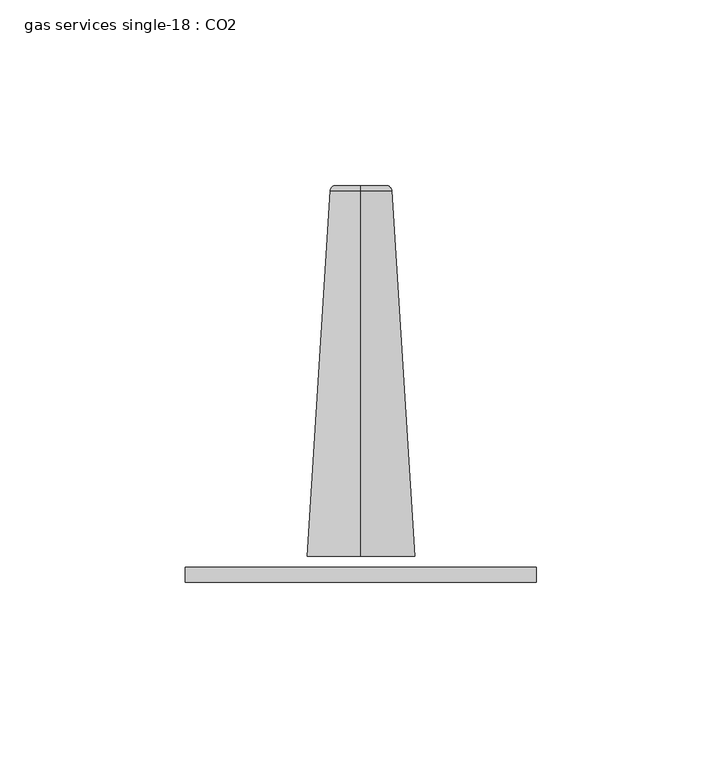
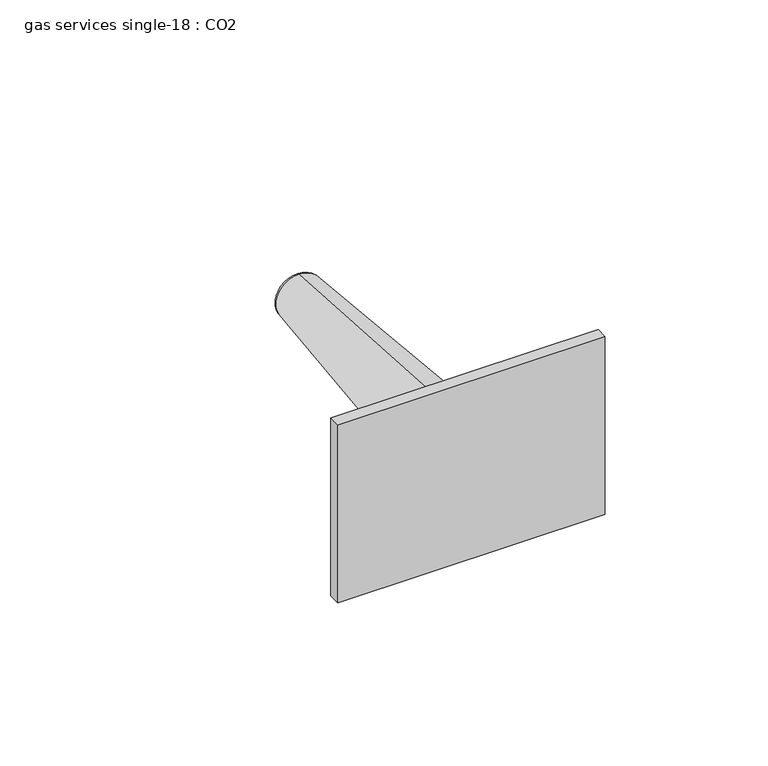
"""IFC4 building model written with IfcOpenShell, lengths in millimetres: flow terminal geometry, gas services single-18 : CO2."""

from ifc_helpers import new_model, si_unit, point, frame, origin, place, context, project, spatial, polyline, circle_curve, ellipse_curve, trimmed, outline, extrude, source, transform, mapped, element, save
from ifc_brep_helpers import plane_surface, revolved_surface, advanced_brep


def gas_services_single_18_co2_8542d9b9(model_context):
    return source(origin(), model_context, "Body", "SolidModel", [
        extrude(outline(polyline([(-47.8699712, -65.6942794), (-47.8699712, -61.5339373), (46.6884324, -61.5339373), (46.6884324, -65.6942794), (-47.8699712, -65.6942794)])), frame((0.0, 0.0, 423.8625), z_axis=(0.0, 0.0, 1.0), x_axis=(1.0, 0.0, 0.0)), (0.0, 0.0, 1.0), 66.675),
        advanced_brep(
        [(-0.5907694, 41.3057984, 464.8610317), (-0.5907694, 41.3057984, 451.2096591), (-0.5907694, 41.3057984, 458.0353454), (-0.5907694, 39.8814125, 466.3777753), (-0.5907694, 39.8814125, 449.6929155), (-0.5907694, -58.6907564, 472.5746328), (-0.5907694, -58.6907564, 443.4960579), (-0.5907694, -58.6907564, 458.0353454)],
        [
            (0, 1, circle_curve(frame((-0.5907694, 41.3057984, 458.0353454), z_axis=(0.0, 1.0, 0.0), x_axis=(0.0, 0.0, -1.0)), 6.8256863)),
            (1, 2),
            (2, 0),
            (1, 0, circle_curve(frame((-0.5907694, 41.3057984, 458.0353454), z_axis=(0.0, 1.0, 0.0), x_axis=(0.0, 0.0, -1.0)), 6.8256863)),
            (3, 4, circle_curve(frame((-0.5907694, 39.8814125, 458.0353454), z_axis=(0.0, 1.0, 0.0), x_axis=(0.0, 0.0, -1.0)), 8.3424299)),
            (4, 1, circle_curve(frame((-0.5907694, 39.7860606, 451.2096591), z_axis=(1.0, 0.0, 0.0), x_axis=(0.0, -1.0, 0.0)), 1.5197379)),
            (0, 3, circle_curve(frame((-0.5907694, 39.7860606, 464.8610317), z_axis=(1.0, 0.0, 0.0), x_axis=(0.0, -1.0, 0.0)), 1.5197379)),
            (4, 3, circle_curve(frame((-0.5907694, 39.8814125, 458.0353454), z_axis=(0.0, 1.0, 0.0), x_axis=(0.0, 0.0, -1.0)), 8.3424299)),
            (5, 6, circle_curve(frame((-0.5907694, -58.6907564, 458.0353454), z_axis=(0.0, 1.0, 0.0), x_axis=(0.0, 0.0, -1.0)), 14.5392874)),
            (6, 4),
            (3, 5),
            (6, 5, circle_curve(frame((-0.5907694, -58.6907564, 458.0353454), z_axis=(0.0, 1.0, 0.0), x_axis=(0.0, 0.0, -1.0)), 14.5392874)),
            (7, 6),
            (5, 7),
        ],
        [
            plane_surface(frame((-0.5907694, 41.3057984, 458.0353454), z_axis=(0.0, 1.0, 0.0), x_axis=(0.0, 0.0, -1.0))),
            revolved_surface(trimmed(ellipse_curve(frame((-0.5907694, 39.7860606, 451.2096591), z_axis=(-1.0, 0.0, 0.0), x_axis=(0.0, -1.0, 0.0)), 1.5197379, 1.5197379), [point((-0.5907694, 41.3057984, 451.2096591))], [point((-0.5907694, 39.8814125, 449.6929155))], True, "CARTESIAN"), (-0.5907694, -27.0773362, 458.0353454), (0.0, -1.0, 0.0)),
            revolved_surface(polyline([(-0.5907694, 39.8814125, 449.6929155), (-0.5907694, -58.6907564, 443.4960579)]), (-0.5907694, -27.0773362, 458.0353454), (0.0, -1.0, 0.0)),
            plane_surface(frame((-0.5907694, -58.6907564, 458.0353454), z_axis=(0.0, -1.0, 0.0), x_axis=(0.0, 0.0, -1.0))),
        ],
        [
            (0, [[1, 2, 3]]),
            (0, [[4, -3, -2]]),
            (1, [[5, 6, -1, 7]]),
            (1, [[8, -7, -4, -6]]),
            (2, [[9, 10, -5, 11]]),
            (2, [[12, -11, -8, -10]]),
            (3, [[13, -9, 14]]),
            (3, [[-14, -12, -13]]),
        ],
    ),
    ])


if __name__ == "__main__":
    model = new_model("IFC4")
    model_context = context("Model", 3, world=origin())
    ifc_project = project(units=[si_unit("LENGTHUNIT", "METRE", prefix="MILLI")], contexts=[model_context])
    site = spatial("IfcSite", under=ifc_project)
    building = spatial("IfcBuilding", under=site)
    placement = place(None, origin())
    gas_services_single_18_co2_shape = gas_services_single_18_co2_8542d9b9(model_context)
    element("IfcFlowTerminal", 1, ObjectType="gas services single-18 : CO2", at=placement, inside=building, context=model_context, shape_type="MappedRepresentation", body=[
        mapped(gas_services_single_18_co2_shape, transform((0.0, 0.0, 0.0), x_axis=(1.0, 0.0, 0.0), y_axis=(0.0, 1.0, 0.0), z_axis=(0.0, 0.0, 1.0))),
    ])
    save(model, "model.ifc")
